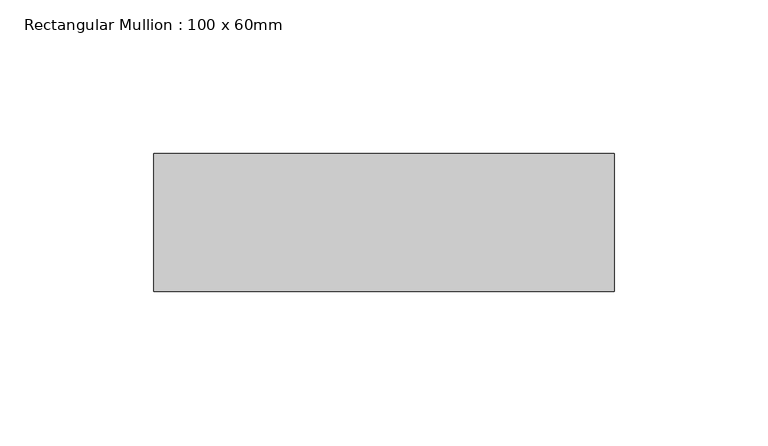
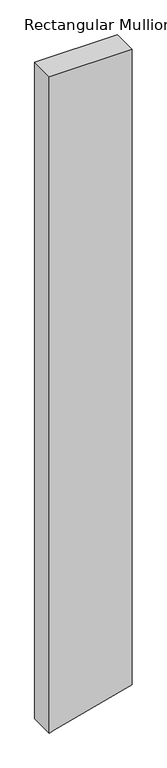
"""IFC4 building model written with IfcOpenShell, lengths in millimetres: member geometry, Rectangular Mullion : 100 x 60mm."""

from ifc_helpers import new_model, si_unit, frame, origin, place, context, project, spatial, polyline, outline, extrude, source, transform, mapped, element, save


def rectangular_mullion_100_x_60mm_4b495eac(model_context):
    return source(origin(), model_context, "Body", "SweptSolid", [
        extrude(outline(polyline([(0.0, 75.0), (0.0, -75.0), (-1255.1842681, -75.0), (-1252.4256672, -64.7047613), (-1214.9918892, 75.0), (0.0, 75.0)])), frame((0.0, -30.0, 0.0), z_axis=(0.0, 1.0, 0.0), x_axis=(0.0, 0.0, 1.0)), (0.0, 0.0, 1.0), 45.0),
    ])


if __name__ == "__main__":
    model = new_model("IFC4")
    model_context = context("Model", 3, world=origin())
    ifc_project = project(units=[si_unit("LENGTHUNIT", "METRE", prefix="MILLI")], contexts=[model_context])
    site = spatial("IfcSite", under=ifc_project)
    building = spatial("IfcBuilding", under=site)
    placement = place(None, origin())
    rectangular_mullion_100_x_60mm_shape = rectangular_mullion_100_x_60mm_4b495eac(model_context)
    element("IfcMember", 1, ObjectType="Rectangular Mullion : 100 x 60mm", at=placement, inside=building, context=model_context, shape_type="MappedRepresentation", body=[
        mapped(rectangular_mullion_100_x_60mm_shape, transform((0.0, 0.0, 0.0), x_axis=(1.0, 0.0, 0.0), y_axis=(0.0, 1.0, 0.0), z_axis=(0.0, 0.0, 1.0))),
    ])
    save(model, "model.ifc")
